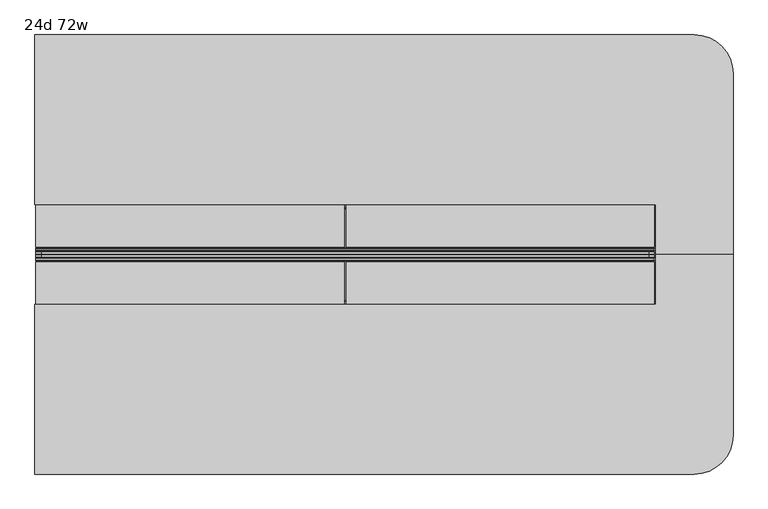
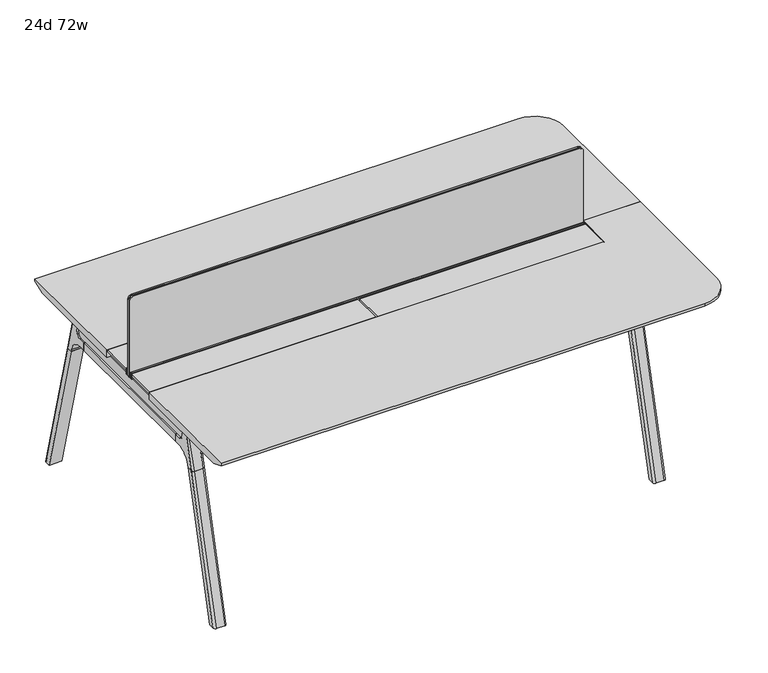
"""IFC4 building model written with IfcOpenShell, lengths in millimetres: furniture geometry, 24d 72w."""

from ifc_helpers import new_model, si_unit, point, frame, frame_2d, origin, place, context, project, spatial, polyline, circle_curve, ellipse_curve, trimmed, segment, composite_curve, outline, extrude, source, transform, mapped, element, save
from ifc_brep_helpers import plane_surface, cylinder_surface, revolved_surface, advanced_brep


def furniture_24d_72w_2c4aecf3(model_context):
    return source(origin(), model_context, "Body", "SolidModel", [
        extrude(outline(polyline([(-18.0090763, 706.4375), (3.7767266, 706.4375), (3.7767266, 705.2310087), (-17.4495292, 705.2310087), (-19.0070753, 703.6734626), (-49.1186716, 567.0903512), (-50.5285062, 567.4011683), (-20.404074, 704.0425023), (-18.0090763, 706.4375)])), frame((-469.9, 0.0, 0.0), z_axis=(1.0, 0.0, 0.0), x_axis=(0.0, 1.0, 0.0)), (0.0, 0.0, 1.0), 31.8008024),
        extrude(outline(polyline([(-381.4978768, 706.4375), (-379.1028791, 704.0425023), (-348.9784469, 567.4011683), (-350.3882815, 567.0903512), (-380.4998778, 703.6734626), (-382.0574239, 705.2310087), (-403.2836797, 705.2310087), (-403.2836797, 706.4375), (-381.4978768, 706.4375)])), frame((-469.9, 0.0, 0.0), z_axis=(1.0, 0.0, 0.0), x_axis=(0.0, 1.0, 0.0)), (0.0, 0.0, 1.0), 31.8008024),
        extrude(outline(polyline([(-18.0090763, 706.4375), (3.7767266, 706.4375), (3.7767266, 705.2310087), (-17.4495292, 705.2310087), (-19.0070753, 703.6734626), (-49.1186716, 567.0903512), (-50.5285062, 567.4011683), (-20.404074, 704.0425023), (-18.0090763, 706.4375)])), frame((869.8991976, 0.0, 0.0), z_axis=(1.0, 0.0, 0.0), x_axis=(0.0, 1.0, 0.0)), (0.0, 0.0, 1.0), 31.8008024),
        extrude(outline(polyline([(-381.4978768, 706.4375), (-379.1028791, 704.0425023), (-348.9784469, 567.4011683), (-350.3882815, 567.0903512), (-380.4998778, 703.6734626), (-382.0574239, 705.2310087), (-403.2836797, 705.2310087), (-403.2836797, 706.4375), (-381.4978768, 706.4375)])), frame((869.8991976, 0.0, 0.0), z_axis=(1.0, 0.0, 0.0), x_axis=(0.0, 1.0, 0.0)), (0.0, 0.0, 1.0), 31.8008024),
        extrude(outline(polyline([(-353.550475, 565.5309966), (-351.518477, 567.5629947), (-350.957211, 567.0017287), (-352.756725, 565.2022146), (-352.756725, 557.3042827), (-352.5317745, 556.4647622), (-337.4390802, 530.3234395), (-336.0037101, 529.4947272), (-63.503243, 529.4947272), (-62.0678729, 530.3234395), (-46.9751786, 556.4647622), (-46.7502281, 557.3042827), (-46.7502281, 565.2022146), (-48.5497421, 567.0017287), (-47.9884761, 567.5629947), (-45.9564781, 565.5309966), (-45.9564781, 557.1997828), (-46.2355217, 556.1583856), (-61.4868074, 529.7423744), (-63.2905581, 528.7009772), (-336.216395, 528.7009772), (-338.0201457, 529.7423744), (-353.2714314, 556.1583856), (-353.550475, 557.1997828), (-353.550475, 565.5309966)])), frame((-469.8492037, 0.0, 0.0), z_axis=(1.0, 0.0, 0.0), x_axis=(0.0, 1.0, 0.0)), (0.0, 0.0, 1.0), 1371.5492037),
        extrude(outline(composite_curve([segment(polyline([(178.0715234, 711.2), (169.0134226, 677.3947076)]), True, "CONTINUOUS"), segment(trimmed(circle_curve(frame_2d((153.6793501, 681.5034599)), 15.875), [point((169.0134226, 677.3947076))], [point((153.6793501, 665.6284599))], False, "CARTESIAN"), True, "CONTINUOUS"), segment(polyline([(153.6793501, 665.6284599), (-553.1863033, 665.6284599)]), True, "CONTINUOUS"), segment(trimmed(circle_curve(frame_2d((-553.1863033, 681.5034599)), 15.875), [point((-553.1863033, 665.6284599))], [point((-568.5203758, 677.3947076))], False, "CARTESIAN"), True, "CONTINUOUS"), segment(polyline([(-568.5203758, 677.3947076), (-577.5784766, 711.2), (178.0715234, 711.2)]), True, "CONTINUOUS")], self_intersect=False)), frame((-685.8, 0.0, 0.0), z_axis=(1.0, 0.0, 0.0), x_axis=(0.0, 1.0, 0.0)), (0.0, 0.0, 1.0), 38.1),
        extrude(outline(polyline([(-641.35, 117.7465234), (-641.35, -517.2534766), (-692.15, -517.2534766), (-692.15, 117.7465234), (-641.35, 117.7465234)])), frame((0.0, 0.0, 635.6476591), z_axis=(0.0, 0.0, 1.0), x_axis=(1.0, 0.0, 0.0)), (0.0, 0.0, 1.0), 29.9808008),
        advanced_brep(
        [(-641.35, 171.7678522, 711.2), (-641.35, 162.7097514, 677.3947076), (-641.35, 147.3756789, 665.6284599), (-641.35, 117.7465234, 665.6284599), (-641.35, 117.7465234, 635.6476591), (-641.35, 140.6177557, 635.6476591), (-641.35, 205.0208602, 586.2294189), (-641.35, 207.5790723, 576.6820411), (-641.35, 228.6830422, 576.6820411), (-641.35, 193.2343986, 711.2), (-692.15, 207.5790723, 576.6820411), (-692.15, 205.0208602, 586.2294189), (-692.15, 140.6177557, 635.6476591), (-692.15, 117.7465234, 635.6476591), (-692.15, 117.7465234, 665.6284599), (-692.15, 147.3756789, 665.6284599), (-692.15, 162.7097514, 677.3947076), (-692.15, 171.7678522, 711.2), (-692.15, 193.2343986, 711.2), (-692.15, 228.6830422, 576.6820411), (-647.6138162, 202.4892431, 711.2), (-685.8861838, 202.4892431, 711.2), (-682.625, 238.5332216, 576.6820411), (-650.875, 238.5332216, 576.6820411)],
        [
            (0, 1),
            (1, 2, circle_curve(frame((-641.35, 147.3756789, 681.5034599), z_axis=(-1.0, 0.0, 0.0), x_axis=(0.0, 1.0, 0.0)), 15.875)),
            (2, 3),
            (3, 4),
            (4, 5),
            (5, 6, circle_curve(frame((-641.35, 140.6177557, 568.9726591), z_axis=(-1.0, 0.0, 0.0), x_axis=(0.0, 1.0, 0.0)), 66.675)),
            (6, 7),
            (7, 8),
            (8, 9),
            (9, 0),
            (10, 11),
            (11, 12, circle_curve(frame((-692.15, 140.6177557, 568.9726591), z_axis=(1.0, 0.0, 0.0), x_axis=(0.0, 1.0, 0.0)), 66.675)),
            (12, 13),
            (13, 14),
            (14, 15),
            (15, 16, circle_curve(frame((-692.15, 147.3756789, 681.5034599), z_axis=(1.0, 0.0, 0.0), x_axis=(0.0, 1.0, 0.0)), 15.875)),
            (16, 17),
            (17, 18),
            (18, 19),
            (19, 10),
            (17, 0),
            (9, 20, ellipse_curve(frame((-650.875, 193.2343986, 711.2), z_axis=(0.0, 0.0, 1.0), x_axis=(0.0, 1.0, 0.0)), 9.8501793, 9.525)),
            (20, 21),
            (21, 18, ellipse_curve(frame((-682.625, 193.2343986, 711.2), z_axis=(0.0, 0.0, 1.0), x_axis=(0.0, 1.0, 0.0)), 9.8501793, 9.525)),
            (16, 1),
            (15, 2),
            (14, 3),
            (13, 4),
            (12, 5),
            (11, 6),
            (10, 7),
            (19, 22, ellipse_curve(frame((-682.625, 228.6830422, 576.6820411), z_axis=(0.0, 0.0, -1.0), x_axis=(0.0, 1.0, 0.0)), 9.8501793, 9.525)),
            (22, 23),
            (23, 8, ellipse_curve(frame((-650.875, 228.6830422, 576.6820411), z_axis=(0.0, 0.0, -1.0), x_axis=(0.0, 1.0, 0.0)), 9.8501793, 9.525)),
            (20, 23, ellipse_curve(frame((-650.875, -357.8364925, 2802.3641142), z_axis=(0.0, 0.9659258262890684, 0.2588190451025206), x_axis=(0.0, 0.2588190451025206, -0.9659258262890684)), 2304.1956354, 9.525)),
            (22, 21, ellipse_curve(frame((-682.625, -357.8364925, 2802.3641142), z_axis=(0.0, 0.9659258262890684, 0.2588190451025206), x_axis=(0.0, 0.2588190451025206, -0.9659258262890684)), 2304.1956354, 9.525)),
        ],
        [
            plane_surface(frame((-641.35, 202.4892431, 711.2), z_axis=(1.0, 0.0, 0.0), x_axis=(0.0, -1.0, 0.0))),
            plane_surface(frame((-692.15, 202.4892431, 711.2), z_axis=(-1.0, 0.0, 0.0), x_axis=(0.0, 1.0, 0.0))),
            plane_surface(frame((-641.35, 202.4892431, 711.2), z_axis=(0.0, 0.0, 1.0), x_axis=(-1.0, 0.0, 0.0))),
            plane_surface(frame((-641.35, 171.7678522, 711.2), z_axis=(0.0, -0.9659258262890683, 0.2588190451025207), x_axis=(-1.0, 0.0, 0.0))),
            revolved_surface(polyline([(-692.15, 163.2506789, 681.5034599), (-641.35, 163.2506789, 681.5034599)]), (-692.15, 147.3756789, 681.5034599), (-1.0, 0.0, 0.0)),
            plane_surface(frame((-641.35, 147.3756789, 665.6284599), z_axis=(0.0, 0.0, 1.0), x_axis=(-1.0, 0.0, 0.0))),
            plane_surface(frame((-641.35, 117.7465234, 665.6284599), z_axis=(0.0, -1.0, 0.0), x_axis=(-1.0, 0.0, 0.0))),
            plane_surface(frame((-641.35, 117.7465234, 635.6476591), z_axis=(0.0, 0.0, -1.0), x_axis=(-1.0, 0.0, 0.0))),
            revolved_surface(polyline([(-692.15, 207.2927557, 568.9726591), (-641.35, 207.2927557, 568.9726591)]), (-692.15, 140.6177557, 568.9726591), (-1.0, 0.0, 0.0)),
            plane_surface(frame((-641.35, 205.0208602, 586.2294189), z_axis=(0.0, -0.9659258262890693, -0.25881904510251696), x_axis=(-1.0, 0.0, 0.0))),
            plane_surface(frame((-641.35, 207.5790723, 576.6820411), z_axis=(0.0, 0.0, -1.0), x_axis=(-1.0, 0.0, 0.0))),
            plane_surface(frame((-641.35, 238.5332216, 576.6820411), z_axis=(0.0, 0.9659258262890684, 0.2588190451025206), x_axis=(-1.0, 0.0, 0.0))),
            cylinder_surface(frame((-650.875, 381.2919371, -2.4271979), z_axis=(0.0, 0.25482392474081483, -0.966987470125486), x_axis=(-1.0, 0.0, 0.0)), 9.525),
            cylinder_surface(frame((-682.625, 381.2919371, -2.4271979), z_axis=(0.0, 0.25482392474081483, -0.966987470125486), x_axis=(-1.0, 0.0, 0.0)), 9.525),
        ],
        [
            (0, [[1, 2, 3, 4, 5, 6, 7, 8, 9, 10]]),
            (1, [[11, 12, 13, 14, 15, 16, 17, 18, 19, 20]]),
            (2, [[21, -10, 22, 23, 24, -18]]),
            (3, [[-1, -21, -17, 25]]),
            (4, [[-2, -25, -16, 26]]),
            (5, [[-3, -26, -15, 27]]),
            (6, [[-4, -27, -14, 28]]),
            (7, [[-5, -28, -13, 29]]),
            (8, [[-6, -29, -12, 30]]),
            (9, [[-7, -30, -11, 31]]),
            (10, [[-31, -20, 32, 33, 34, -8]]),
            (11, [[-23, 35, -33, 36]]),
            (12, [[-9, -34, -35, -22]]),
            (13, [[-19, -24, -36, -32]]),
        ],
    ),
        advanced_brep(
        [(-641.35, 207.5790723, 576.6820411), (-641.35, 359.5483435, 0.0), (-641.35, 380.6523134, 0.0), (-641.35, 228.6830422, 576.6820411), (-692.15, 359.5483435, 0.0), (-692.15, 207.5790723, 576.6820411), (-692.15, 228.6830422, 576.6820411), (-692.15, 380.6523134, 0.0), (-650.875, 238.5332216, 576.6820411), (-682.625, 238.5332216, 576.6820411), (-682.625, 390.5024927, 0.0), (-650.875, 390.5024927, 0.0)],
        [
            (0, 1),
            (1, 2),
            (2, 3),
            (3, 0),
            (4, 5),
            (5, 6),
            (6, 7),
            (7, 4),
            (5, 0),
            (3, 8, ellipse_curve(frame((-650.875, 228.6830422, 576.6820411), z_axis=(0.0, 0.0, 1.0), x_axis=(0.0, 1.0, 0.0)), 9.8501793, 9.525)),
            (8, 9),
            (9, 6, ellipse_curve(frame((-682.625, 228.6830422, 576.6820411), z_axis=(0.0, 0.0, 1.0), x_axis=(0.0, 1.0, 0.0)), 9.8501793, 9.525)),
            (4, 1),
            (7, 10, ellipse_curve(frame((-682.625, 380.6523134, 0.0), z_axis=(0.0, 0.0, -1.0), x_axis=(0.0, 1.0, 0.0)), 9.8501793, 9.525)),
            (10, 11),
            (11, 2, ellipse_curve(frame((-650.875, 380.6523134, 0.0), z_axis=(0.0, 0.0, -1.0), x_axis=(0.0, 1.0, 0.0)), 9.8501793, 9.525)),
            (8, 11),
            (10, 9),
        ],
        [
            plane_surface(frame((-641.35, 238.5332216, 576.6820411), z_axis=(1.0, 0.0, 0.0), x_axis=(0.0, -1.0, 0.0))),
            plane_surface(frame((-692.15, 238.5332216, 576.6820411), z_axis=(-1.0, 0.0, 0.0), x_axis=(0.0, 1.0, 0.0))),
            plane_surface(frame((-641.35, 238.5332216, 576.6820411), z_axis=(0.0, 0.0, 1.0), x_axis=(-1.0, 0.0, 0.0))),
            plane_surface(frame((-641.35, 207.5790723, 576.6820411), z_axis=(0.0, -0.9669874701254844, -0.2548239247408208), x_axis=(-1.0, 0.0, 0.0))),
            plane_surface(frame((-641.35, 359.5483435, 0.0), z_axis=(0.0, 0.0, -1.0), x_axis=(-1.0, 0.0, 0.0))),
            plane_surface(frame((-641.35, 390.5024927, 0.0), z_axis=(0.0, 0.9669874701254855, 0.2548239247408166), x_axis=(-1.0, 0.0, 0.0))),
            cylinder_surface(frame((-650.875, 381.2919371, -2.4271979), z_axis=(0.0, 0.25482392474081483, -0.966987470125486), x_axis=(-1.0, 0.0, 0.0)), 9.525),
            cylinder_surface(frame((-682.625, 381.2919371, -2.4271979), z_axis=(0.0, 0.25482392474081483, -0.966987470125486), x_axis=(-1.0, 0.0, 0.0)), 9.525),
        ],
        [
            (0, [[1, 2, 3, 4]]),
            (1, [[5, 6, 7, 8]]),
            (2, [[9, -4, 10, 11, 12, -6]]),
            (3, [[-1, -9, -5, 13]]),
            (4, [[-13, -8, 14, 15, 16, -2]]),
            (5, [[-11, 17, -15, 18]]),
            (6, [[-3, -16, -17, -10]]),
            (7, [[-7, -12, -18, -14]]),
        ],
    ),
        advanced_brep(
        [(-692.15, -571.2748053, 711.2), (-692.15, -562.2167045, 677.3947076), (-692.15, -546.882632, 665.6284599), (-692.15, -517.2534766, 665.6284599), (-692.15, -517.2534766, 635.6476591), (-692.15, -540.1247088, 635.6476591), (-692.15, -604.5278133, 586.2294189), (-692.15, -607.0860254, 576.6820411), (-692.15, -628.1899953, 576.6820411), (-692.15, -592.7413517, 711.2), (-641.35, -607.0860254, 576.6820411), (-641.35, -604.5278133, 586.2294189), (-641.35, -540.1247088, 635.6476591), (-641.35, -517.2534766, 635.6476591), (-641.35, -517.2534766, 665.6284599), (-641.35, -546.882632, 665.6284599), (-641.35, -562.2167045, 677.3947076), (-641.35, -571.2748053, 711.2), (-641.35, -592.7413517, 711.2), (-641.35, -628.1899953, 576.6820411), (-685.8861838, -601.9961962, 711.2), (-647.6138162, -601.9961962, 711.2), (-650.875, -638.0401747, 576.6820411), (-682.625, -638.0401747, 576.6820411)],
        [
            (0, 1),
            (1, 2, circle_curve(frame((-692.15, -546.882632, 681.5034599), z_axis=(1.0, 0.0, 0.0), x_axis=(0.0, -1.0, 0.0)), 15.875)),
            (2, 3),
            (3, 4),
            (4, 5),
            (5, 6, circle_curve(frame((-692.15, -540.1247088, 568.9726591), z_axis=(1.0, 0.0, 0.0), x_axis=(0.0, -1.0, 0.0)), 66.675)),
            (6, 7),
            (7, 8),
            (8, 9),
            (9, 0),
            (10, 11),
            (11, 12, circle_curve(frame((-641.35, -540.1247088, 568.9726591), z_axis=(-1.0, 0.0, 0.0), x_axis=(0.0, -1.0, 0.0)), 66.675)),
            (12, 13),
            (13, 14),
            (14, 15),
            (15, 16, circle_curve(frame((-641.35, -546.882632, 681.5034599), z_axis=(-1.0, 0.0, 0.0), x_axis=(0.0, -1.0, 0.0)), 15.875)),
            (16, 17),
            (17, 18),
            (18, 19),
            (19, 10),
            (17, 0),
            (9, 20, ellipse_curve(frame((-682.625, -592.7413517, 711.2), z_axis=(0.0, 0.0, 1.0), x_axis=(0.0, -1.0, 0.0)), 9.8501793, 9.525)),
            (20, 21),
            (21, 18, ellipse_curve(frame((-650.875, -592.7413517, 711.2), z_axis=(0.0, 0.0, 1.0), x_axis=(0.0, -1.0, 0.0)), 9.8501793, 9.525)),
            (16, 1),
            (15, 2),
            (14, 3),
            (13, 4),
            (12, 5),
            (11, 6),
            (10, 7),
            (19, 22, ellipse_curve(frame((-650.875, -628.1899953, 576.6820411), z_axis=(0.0, 0.0, -1.0), x_axis=(0.0, -1.0, 0.0)), 9.8501793, 9.525)),
            (22, 23),
            (23, 8, ellipse_curve(frame((-682.625, -628.1899953, 576.6820411), z_axis=(0.0, 0.0, -1.0), x_axis=(0.0, -1.0, 0.0)), 9.8501793, 9.525)),
            (20, 23, ellipse_curve(frame((-682.625, -41.6704606, 2802.3641142), z_axis=(0.0, -0.9659258262890684, 0.2588190451025206), x_axis=(0.0, -0.2588190451025206, -0.9659258262890684)), 2304.1956354, 9.525)),
            (22, 21, ellipse_curve(frame((-650.875, -41.6704606, 2802.3641142), z_axis=(0.0, -0.9659258262890684, 0.2588190451025206), x_axis=(0.0, -0.2588190451025206, -0.9659258262890684)), 2304.1956354, 9.525)),
        ],
        [
            plane_surface(frame((-692.15, -601.9961962, 711.2), z_axis=(-1.0, 0.0, 0.0), x_axis=(0.0, 1.0, 0.0))),
            plane_surface(frame((-641.35, -601.9961962, 711.2), z_axis=(1.0, 0.0, 0.0), x_axis=(0.0, -1.0, 0.0))),
            plane_surface(frame((-692.15, -601.9961962, 711.2), z_axis=(0.0, 0.0, 1.0), x_axis=(1.0, 0.0, 0.0))),
            plane_surface(frame((-692.15, -571.2748053, 711.2), z_axis=(0.0, 0.9659258262890683, 0.2588190451025207), x_axis=(1.0, 0.0, 0.0))),
            revolved_surface(polyline([(-641.35, -562.757632, 681.5034599), (-692.15, -562.757632, 681.5034599)]), (-641.35, -546.882632, 681.5034599), (1.0, 0.0, 0.0)),
            plane_surface(frame((-692.15, -546.882632, 665.6284599), z_axis=(0.0, 0.0, 1.0), x_axis=(1.0, 0.0, 0.0))),
            plane_surface(frame((-692.15, -517.2534766, 665.6284599), z_axis=(0.0, 1.0, 0.0), x_axis=(1.0, 0.0, 0.0))),
            plane_surface(frame((-692.15, -517.2534766, 635.6476591), z_axis=(0.0, 0.0, -1.0), x_axis=(1.0, 0.0, 0.0))),
            revolved_surface(polyline([(-641.35, -606.7997088, 568.9726591), (-692.15, -606.7997088, 568.9726591)]), (-641.35, -540.1247088, 568.9726591), (1.0, 0.0, 0.0)),
            plane_surface(frame((-692.15, -604.5278133, 586.2294189), z_axis=(0.0, 0.9659258262890693, -0.25881904510251696), x_axis=(1.0, 0.0, 0.0))),
            plane_surface(frame((-692.15, -607.0860254, 576.6820411), z_axis=(0.0, 0.0, -1.0), x_axis=(1.0, 0.0, 0.0))),
            plane_surface(frame((-692.15, -638.0401747, 576.6820411), z_axis=(0.0, -0.9659258262890684, 0.2588190451025206), x_axis=(1.0, 0.0, 0.0))),
            cylinder_surface(frame((-682.625, -780.7988902, -2.4271979), z_axis=(0.0, -0.25482392474081483, -0.966987470125486), x_axis=(1.0, 0.0, 0.0)), 9.525),
            cylinder_surface(frame((-650.875, -780.7988902, -2.4271979), z_axis=(0.0, -0.25482392474081483, -0.966987470125486), x_axis=(1.0, 0.0, 0.0)), 9.525),
        ],
        [
            (0, [[1, 2, 3, 4, 5, 6, 7, 8, 9, 10]]),
            (1, [[11, 12, 13, 14, 15, 16, 17, 18, 19, 20]]),
            (2, [[21, -10, 22, 23, 24, -18]]),
            (3, [[-1, -21, -17, 25]]),
            (4, [[-2, -25, -16, 26]]),
            (5, [[-3, -26, -15, 27]]),
            (6, [[-4, -27, -14, 28]]),
            (7, [[-5, -28, -13, 29]]),
            (8, [[-6, -29, -12, 30]]),
            (9, [[-7, -30, -11, 31]]),
            (10, [[-31, -20, 32, 33, 34, -8]]),
            (11, [[-23, 35, -33, 36]]),
            (12, [[-9, -34, -35, -22]]),
            (13, [[-19, -24, -36, -32]]),
        ],
    ),
        advanced_brep(
        [(-692.15, -607.0860254, 576.6820411), (-692.15, -759.0552966, 0.0), (-692.15, -780.1592665, 0.0), (-692.15, -628.1899953, 576.6820411), (-641.35, -759.0552966, 0.0), (-641.35, -607.0860254, 576.6820411), (-641.35, -628.1899953, 576.6820411), (-641.35, -780.1592665, 0.0), (-682.625, -638.0401747, 576.6820411), (-650.875, -638.0401747, 576.6820411), (-650.875, -790.0094458, 0.0), (-682.625, -790.0094458, 0.0)],
        [
            (0, 1),
            (1, 2),
            (2, 3),
            (3, 0),
            (4, 5),
            (5, 6),
            (6, 7),
            (7, 4),
            (5, 0),
            (3, 8, ellipse_curve(frame((-682.625, -628.1899953, 576.6820411), z_axis=(0.0, 0.0, 1.0), x_axis=(0.0, -1.0, 0.0)), 9.8501793, 9.525)),
            (8, 9),
            (9, 6, ellipse_curve(frame((-650.875, -628.1899953, 576.6820411), z_axis=(0.0, 0.0, 1.0), x_axis=(0.0, -1.0, 0.0)), 9.8501793, 9.525)),
            (4, 1),
            (7, 10, ellipse_curve(frame((-650.875, -780.1592665, 0.0), z_axis=(0.0, 0.0, -1.0), x_axis=(0.0, -1.0, 0.0)), 9.8501793, 9.525)),
            (10, 11),
            (11, 2, ellipse_curve(frame((-682.625, -780.1592665, 0.0), z_axis=(0.0, 0.0, -1.0), x_axis=(0.0, -1.0, 0.0)), 9.8501793, 9.525)),
            (8, 11),
            (10, 9),
        ],
        [
            plane_surface(frame((-692.15, -638.0401747, 576.6820411), z_axis=(-1.0, 0.0, 0.0), x_axis=(0.0, 1.0, 0.0))),
            plane_surface(frame((-641.35, -638.0401747, 576.6820411), z_axis=(1.0, 0.0, 0.0), x_axis=(0.0, -1.0, 0.0))),
            plane_surface(frame((-692.15, -638.0401747, 576.6820411), z_axis=(0.0, 0.0, 1.0), x_axis=(1.0, 0.0, 0.0))),
            plane_surface(frame((-692.15, -607.0860254, 576.6820411), z_axis=(0.0, 0.9669874701254844, -0.2548239247408208), x_axis=(1.0, 0.0, 0.0))),
            plane_surface(frame((-692.15, -759.0552966, 0.0), z_axis=(0.0, 0.0, -1.0), x_axis=(1.0, 0.0, 0.0))),
            plane_surface(frame((-692.15, -790.0094458, 0.0), z_axis=(0.0, -0.9669874701254855, 0.2548239247408166), x_axis=(1.0, 0.0, 0.0))),
            cylinder_surface(frame((-682.625, -780.7988902, -2.4271979), z_axis=(0.0, -0.25482392474081483, -0.966987470125486), x_axis=(1.0, 0.0, 0.0)), 9.525),
            cylinder_surface(frame((-650.875, -780.7988902, -2.4271979), z_axis=(0.0, -0.25482392474081483, -0.966987470125486), x_axis=(1.0, 0.0, 0.0)), 9.525),
        ],
        [
            (0, [[1, 2, 3, 4]]),
            (1, [[5, 6, 7, 8]]),
            (2, [[9, -4, 10, 11, 12, -6]]),
            (3, [[-1, -9, -5, 13]]),
            (4, [[-13, -8, 14, 15, 16, -2]]),
            (5, [[-11, 17, -15, 18]]),
            (6, [[-3, -16, -17, -10]]),
            (7, [[-7, -12, -18, -14]]),
        ],
    ),
        advanced_brep(
        [(1130.3, -347.3909766, 741.3625), (-698.5, -347.3909766, 741.3625), (-698.5, -847.4534766, 741.3625), (1244.6, -847.4534766, 741.3625), (1358.9, -733.1534766, 741.3625), (1358.9, -199.7534766, 741.3625), (1130.3, -199.7534766, 741.3625), (1130.3, -347.3909766, 711.2), (1130.3, -199.7534766, 711.2), (1308.1, -199.7534766, 711.2), (1308.1, -733.1534766, 711.2), (1244.6, -796.6534766, 711.2), (-698.5, -796.6534766, 711.2), (-698.5, -347.3909766, 711.2), (-698.5, -847.4534766, 731.8375), (1244.6, -847.4534766, 731.8375), (1358.9, -733.1534766, 731.8375), (1358.9, -199.7534766, 731.8375)],
        [
            (0, 1),
            (1, 2),
            (2, 3),
            (3, 4, circle_curve(frame((1244.6, -733.1534766, 741.3625), z_axis=(0.0, 0.0, 1.0), x_axis=(1.0, 0.0, 0.0)), 114.3)),
            (4, 5),
            (5, 6),
            (6, 0),
            (7, 8),
            (8, 9),
            (9, 10),
            (10, 11, circle_curve(frame((1244.6, -733.1534766, 711.2), z_axis=(0.0, 0.0, -1.0), x_axis=(0.0, -1.0, 0.0)), 63.5)),
            (11, 12),
            (12, 13),
            (13, 7),
            (0, 7),
            (13, 1),
            (12, 14),
            (14, 2),
            (14, 15),
            (15, 3),
            (4, 16),
            (16, 17),
            (17, 5),
            (15, 16, circle_curve(frame((1244.6, -733.1534766, 731.8375), z_axis=(0.0, 0.0, 1.0), x_axis=(1.0, 0.0, 0.0)), 114.3)),
            (17, 9),
            (8, 6),
            (11, 15),
            (10, 16),
        ],
        [
            plane_surface(frame((-698.5, -347.3909766, 741.3625), z_axis=(0.0, 0.0, 1.0), x_axis=(-1.0, 0.0, 0.0))),
            plane_surface(frame((-698.5, -347.3909766, 711.2), z_axis=(0.0, 0.0, -1.0), x_axis=(1.0, 0.0, 0.0))),
            plane_surface(frame((1130.3, -347.3909766, 741.3625), z_axis=(0.0, 1.0, 0.0), x_axis=(0.0, 0.0, -1.0))),
            plane_surface(frame((-698.5, -347.3909766, 741.3625), z_axis=(-1.0, 0.0, 0.0), x_axis=(0.0, 0.0, -1.0))),
            plane_surface(frame((-698.5, -847.4534766, 741.3625), z_axis=(0.0, -1.0, 0.0), x_axis=(0.0, 0.0, -1.0))),
            plane_surface(frame((1358.9, -733.1534766, 741.3625), z_axis=(1.0, 0.0, 0.0), x_axis=(0.0, 0.0, -1.0))),
            cylinder_surface(frame((1244.6, -733.1534766, 711.2), z_axis=(0.0, 0.0, 1.0), x_axis=(1.0, 0.0, 0.0)), 114.3),
            plane_surface(frame((1358.9, -199.7534766, 741.3625), z_axis=(0.0, 1.0, 0.0), x_axis=(0.0, 0.0, -1.0))),
            plane_surface(frame((1130.3, -199.7534766, 741.3625), z_axis=(-1.0, 0.0, 0.0), x_axis=(0.0, 0.0, -1.0))),
            plane_surface(frame((-698.5, -847.4534766, 731.8375), z_axis=(0.0, -0.3763770469570871, -0.9264665771218423), x_axis=(1.0, 0.0, 0.0))),
            revolved_surface(polyline([(1244.6, -796.6534766, 711.2), (1244.6, -847.4534766, 731.8375)]), (1244.6, -733.1534766, 711.2), (0.0, 0.0, 1.0)),
            plane_surface(frame((1358.9, -733.1534766, 731.8375), z_axis=(0.3763770469570871, 0.0, -0.9264665771218423), x_axis=(0.0, 1.0, 0.0))),
        ],
        [
            (0, [[1, 2, 3, 4, 5, 6, 7]]),
            (1, [[8, 9, 10, 11, 12, 13, 14]]),
            (2, [[-1, 15, -14, 16]]),
            (3, [[-2, -16, -13, 17, 18]]),
            (4, [[-3, -18, 19, 20]]),
            (5, [[-5, 21, 22, 23]]),
            (6, [[-4, -20, 24, -21]]),
            (7, [[-6, -23, 25, -9, 26]]),
            (8, [[-7, -26, -8, -15]]),
            (9, [[27, -19, -17, -12]]),
            (10, [[-27, -11, 28, -24]]),
            (11, [[-28, -10, -25, -22]]),
        ],
    ),
        advanced_brep(
        [(1130.3, -52.1159766, 741.3625), (1130.3, -199.7534766, 741.3625), (1358.9, -199.7534766, 741.3625), (1358.9, 333.6465234, 741.3625), (1244.6, 447.9465234, 741.3625), (-698.5, 447.9465234, 741.3625), (-698.5, -52.1159766, 741.3625), (1130.3, -52.1159766, 711.2), (-698.5, -52.1159766, 711.2), (-698.5, 397.1465234, 711.2), (1244.6, 397.1465234, 711.2), (1308.1, 333.6465234, 711.2), (1308.1, -199.7534766, 711.2), (1130.3, -199.7534766, 711.2), (-698.5, 447.9465234, 731.8375), (1244.6, 447.9465234, 731.8375), (1358.9, -199.7534766, 731.8375), (1358.9, 333.6465234, 731.8375)],
        [
            (0, 1),
            (1, 2),
            (2, 3),
            (3, 4, circle_curve(frame((1244.6, 333.6465234, 741.3625), z_axis=(0.0, 0.0, 1.0), x_axis=(1.0, 0.0, 0.0)), 114.3)),
            (4, 5),
            (5, 6),
            (6, 0),
            (7, 8),
            (8, 9),
            (9, 10),
            (10, 11, circle_curve(frame((1244.6, 333.6465234, 711.2), z_axis=(0.0, 0.0, -1.0), x_axis=(0.0, 1.0, 0.0)), 63.5)),
            (11, 12),
            (12, 13),
            (13, 7),
            (6, 8),
            (7, 0),
            (5, 14),
            (14, 9),
            (4, 15),
            (15, 14),
            (2, 16),
            (16, 17),
            (17, 3),
            (17, 15, circle_curve(frame((1244.6, 333.6465234, 731.8375), z_axis=(0.0, 0.0, 1.0), x_axis=(1.0, 0.0, 0.0)), 114.3)),
            (1, 13),
            (12, 16),
            (15, 10),
            (17, 11),
        ],
        [
            plane_surface(frame((-698.5, -52.1159766, 741.3625), z_axis=(0.0, 0.0, 1.0), x_axis=(-1.0, 0.0, 0.0))),
            plane_surface(frame((-698.5, -52.1159766, 711.2), z_axis=(0.0, 0.0, -1.0), x_axis=(1.0, 0.0, 0.0))),
            plane_surface(frame((1130.3, -52.1159766, 741.3625), z_axis=(0.0, -1.0, 0.0), x_axis=(0.0, 0.0, -1.0))),
            plane_surface(frame((-698.5, -52.1159766, 741.3625), z_axis=(-1.0, 0.0, 0.0), x_axis=(0.0, 0.0, -1.0))),
            plane_surface(frame((-698.5, 447.9465234, 741.3625), z_axis=(0.0, 1.0, 0.0), x_axis=(0.0, 0.0, -1.0))),
            plane_surface(frame((1358.9, 333.6465234, 741.3625), z_axis=(1.0, 0.0, 0.0), x_axis=(0.0, 0.0, -1.0))),
            cylinder_surface(frame((1244.6, 333.6465234, 711.2), z_axis=(0.0, 0.0, 1.0), x_axis=(1.0, 0.0, 0.0)), 114.3),
            plane_surface(frame((1358.9, -199.7534766, 741.3625), z_axis=(0.0, -1.0, 0.0), x_axis=(0.0, 0.0, -1.0))),
            plane_surface(frame((1130.3, -199.7534766, 741.3625), z_axis=(-1.0, 0.0, 0.0), x_axis=(0.0, 0.0, -1.0))),
            plane_surface(frame((-698.5, 447.9465234, 731.8375), z_axis=(0.0, 0.3763770469570871, -0.9264665771218423), x_axis=(1.0, 0.0, 0.0))),
            revolved_surface(polyline([(1244.6, 397.1465234, 711.2), (1244.6, 447.9465234, 731.8375)]), (1244.6, 333.6465234, 711.2), (0.0, 0.0, 1.0)),
            plane_surface(frame((1358.9, 333.6465234, 731.8375), z_axis=(0.3763770469570871, 0.0, -0.9264665771218423), x_axis=(0.0, -1.0, 0.0))),
        ],
        [
            (0, [[1, 2, 3, 4, 5, 6, 7]]),
            (1, [[8, 9, 10, 11, 12, 13, 14]]),
            (2, [[15, -8, 16, -7]]),
            (3, [[17, 18, -9, -15, -6]]),
            (4, [[19, 20, -17, -5]]),
            (5, [[21, 22, 23, -3]]),
            (6, [[-23, 24, -19, -4]]),
            (7, [[25, -13, 26, -21, -2]]),
            (8, [[-16, -14, -25, -1]]),
            (9, [[-10, -18, -20, 27]]),
            (10, [[-24, 28, -11, -27]]),
            (11, [[-22, -26, -12, -28]]),
        ],
    ),
        extrude(outline(polyline([(-218.8034766, 715.9625), (-218.8034766, 741.3625), (-217.2159766, 741.3625), (-217.2159766, 720.725), (-210.8659766, 720.725), (-210.8659766, 741.3625), (-209.2784766, 741.3625), (-209.2784766, 717.55), (-190.2284766, 717.55), (-190.2284766, 741.3625), (-188.6409766, 741.3625), (-188.6409766, 720.725), (-182.2909766, 720.725), (-182.2909766, 741.3625), (-180.7034766, 741.3625), (-180.7034766, 715.9625), (-218.8034766, 715.9625)])), frame((-695.325, 0.0, 0.0), z_axis=(1.0, 0.0, 0.0), x_axis=(0.0, 1.0, 0.0)), (0.0, 0.0, 1.0), 1822.45),
        extrude(outline(polyline([(212.725, -52.1159766), (212.725, -177.5284766), (-695.325, -177.5284766), (-695.325, -52.1159766), (212.725, -52.1159766)])), frame((0.0, 0.0, 731.8375), z_axis=(0.0, 0.0, 1.0), x_axis=(1.0, 0.0, 0.0)), (0.0, 0.0, 1.0), 9.525),
        extrude(outline(polyline([(212.725, -221.9784766), (212.725, -347.3909766), (-695.325, -347.3909766), (-695.325, -221.9784766), (212.725, -221.9784766)])), frame((0.0, 0.0, 731.8375), z_axis=(0.0, 0.0, 1.0), x_axis=(1.0, 0.0, 0.0)), (0.0, 0.0, 1.0), 9.525),
        extrude(outline(polyline([(1127.125, -52.1159766), (1127.125, -177.5284766), (219.075, -177.5284766), (219.075, -52.1159766), (1127.125, -52.1159766)])), frame((0.0, 0.0, 731.8375), z_axis=(0.0, 0.0, 1.0), x_axis=(1.0, 0.0, 0.0)), (0.0, 0.0, 1.0), 9.525),
        extrude(outline(polyline([(1127.125, -221.9784766), (1127.125, -347.3909766), (219.075, -347.3909766), (219.075, -221.9784766), (1127.125, -221.9784766)])), frame((0.0, 0.0, 731.8375), z_axis=(0.0, 0.0, 1.0), x_axis=(1.0, 0.0, 0.0)), (0.0, 0.0, 1.0), 9.525),
        extrude(outline(polyline([(920.75, 9.7965234), (920.75, -21.9534766), (-488.95, -21.9534766), (-488.95, 9.7965234), (920.75, 9.7965234)])), frame((0.0, 0.0, 646.1125), z_axis=(0.0, 0.0, 1.0), x_axis=(1.0, 0.0, 0.0)), (0.0, 0.0, 1.0), 50.8),
        extrude(outline(polyline([(920.75, -377.5534766), (920.75, -409.3034766), (-488.95, -409.3034766), (-488.95, -377.5534766), (920.75, -377.5534766)])), frame((0.0, 0.0, 646.1125), z_axis=(0.0, 0.0, 1.0), x_axis=(1.0, 0.0, 0.0)), (0.0, 0.0, 1.0), 50.8),
        extrude(outline(composite_curve([segment(polyline([(1054.89375, 1108.075), (1054.89375, -676.275)]), True, "CONTINUOUS"), segment(trimmed(circle_curve(frame_2d((1039.01875, -676.275)), 15.875), [point((1054.89375, -676.275))], [point((1039.01875, -692.15))], False, "CARTESIAN"), True, "CONTINUOUS"), segment(polyline([(1039.01875, -692.15), (720.725, -692.15), (720.725, 1123.95), (1039.01875, 1123.95)]), True, "CONTINUOUS"), segment(trimmed(circle_curve(frame_2d((1039.01875, 1108.075)), 15.875), [point((1039.01875, 1123.95))], [point((1054.89375, 1108.075))], False, "CARTESIAN"), True, "CONTINUOUS")], self_intersect=False)), frame((0.0, -201.3409766, 0.0), z_axis=(0.0, 1.0, 0.0), x_axis=(0.0, 0.0, 1.0)), (0.0, 0.0, 1.0), 3.175),
        extrude(outline(composite_curve([segment(polyline([(1058.06875, 1111.25), (1058.06875, -679.45)]), True, "CONTINUOUS"), segment(trimmed(circle_curve(frame_2d((1042.19375, -679.45)), 15.875), [point((1058.06875, -679.45))], [point((1042.19375, -695.325))], False, "CARTESIAN"), True, "CONTINUOUS"), segment(polyline([(1042.19375, -695.325), (717.55, -695.325), (717.55, 1127.125), (1042.19375, 1127.125)]), True, "CONTINUOUS"), segment(trimmed(circle_curve(frame_2d((1042.19375, 1111.25)), 15.875), [point((1042.19375, 1127.125))], [point((1058.06875, 1111.25))], False, "CARTESIAN"), True, "CONTINUOUS")], self_intersect=False)), frame((0.0, -198.1659766, 0.0), z_axis=(0.0, 1.0, 0.0), x_axis=(0.0, 0.0, 1.0)), (0.0, 0.0, 1.0), 5.55625),
        extrude(outline(composite_curve([segment(polyline([(1058.06875, 1111.25), (1058.06875, -679.45)]), True, "CONTINUOUS"), segment(trimmed(circle_curve(frame_2d((1042.19375, -679.45)), 15.875), [point((1058.06875, -679.45))], [point((1042.19375, -695.325))], False, "CARTESIAN"), True, "CONTINUOUS"), segment(polyline([(1042.19375, -695.325), (717.55, -695.325), (717.55, 1127.125), (1042.19375, 1127.125)]), True, "CONTINUOUS"), segment(trimmed(circle_curve(frame_2d((1042.19375, 1111.25)), 15.875), [point((1042.19375, 1127.125))], [point((1058.06875, 1111.25))], False, "CARTESIAN"), True, "CONTINUOUS")], self_intersect=False)), frame((0.0, -206.8972266, 0.0), z_axis=(0.0, 1.0, 0.0), x_axis=(0.0, 0.0, 1.0)), (0.0, 0.0, 1.0), 5.55625),
        extrude(outline(composite_curve([segment(polyline([(178.0715234, 711.2), (169.0134226, 677.3947076)]), True, "CONTINUOUS"), segment(trimmed(circle_curve(frame_2d((153.6793501, 681.5034599)), 15.875), [point((169.0134226, 677.3947076))], [point((153.6793501, 665.6284599))], False, "CARTESIAN"), True, "CONTINUOUS"), segment(polyline([(153.6793501, 665.6284599), (-553.1863033, 665.6284599)]), True, "CONTINUOUS"), segment(trimmed(circle_curve(frame_2d((-553.1863033, 681.5034599)), 15.875), [point((-553.1863033, 665.6284599))], [point((-568.5203758, 677.3947076))], False, "CARTESIAN"), True, "CONTINUOUS"), segment(polyline([(-568.5203758, 677.3947076), (-577.5784766, 711.2), (178.0715234, 711.2)]), True, "CONTINUOUS")], self_intersect=False)), frame((1079.5, 0.0, 0.0), z_axis=(1.0, 0.0, 0.0), x_axis=(0.0, 1.0, 0.0)), (0.0, 0.0, 1.0), 38.1),
        extrude(outline(polyline([(1123.95, 117.7465234), (1123.95, -517.2534766), (1073.15, -517.2534766), (1073.15, 117.7465234), (1123.95, 117.7465234)])), frame((0.0, 0.0, 635.6476591), z_axis=(0.0, 0.0, 1.0), x_axis=(1.0, 0.0, 0.0)), (0.0, 0.0, 1.0), 29.9808008),
        advanced_brep(
        [(1073.15, -571.2748053, 711.2), (1073.15, -562.2167045, 677.3947076), (1073.15, -546.882632, 665.6284599), (1073.15, -517.2534766, 665.6284599), (1073.15, -517.2534766, 635.6476591), (1073.15, -540.1247088, 635.6476591), (1073.15, -604.5278133, 586.2294189), (1073.15, -607.0860254, 576.6820411), (1073.15, -628.1899953, 576.6820411), (1073.15, -592.7413517, 711.2), (1123.95, -607.0860254, 576.6820411), (1123.95, -604.5278133, 586.2294189), (1123.95, -540.1247088, 635.6476591), (1123.95, -517.2534766, 635.6476591), (1123.95, -517.2534766, 665.6284599), (1123.95, -546.882632, 665.6284599), (1123.95, -562.2167045, 677.3947076), (1123.95, -571.2748053, 711.2), (1123.95, -592.7413517, 711.2), (1123.95, -628.1899953, 576.6820411), (1079.4138162, -601.9961962, 711.2), (1117.6861838, -601.9961962, 711.2), (1114.425, -638.0401747, 576.6820411), (1082.675, -638.0401747, 576.6820411)],
        [
            (0, 1),
            (1, 2, circle_curve(frame((1073.15, -546.882632, 681.5034599), z_axis=(1.0, 0.0, 0.0), x_axis=(0.0, -1.0, 0.0)), 15.875)),
            (2, 3),
            (3, 4),
            (4, 5),
            (5, 6, circle_curve(frame((1073.15, -540.1247088, 568.9726591), z_axis=(1.0, 0.0, 0.0), x_axis=(0.0, -1.0, 0.0)), 66.675)),
            (6, 7),
            (7, 8),
            (8, 9),
            (9, 0),
            (10, 11),
            (11, 12, circle_curve(frame((1123.95, -540.1247088, 568.9726591), z_axis=(-1.0, 0.0, 0.0), x_axis=(0.0, -1.0, 0.0)), 66.675)),
            (12, 13),
            (13, 14),
            (14, 15),
            (15, 16, circle_curve(frame((1123.95, -546.882632, 681.5034599), z_axis=(-1.0, 0.0, 0.0), x_axis=(0.0, -1.0, 0.0)), 15.875)),
            (16, 17),
            (17, 18),
            (18, 19),
            (19, 10),
            (17, 0),
            (9, 20, ellipse_curve(frame((1082.675, -592.7413517, 711.2), z_axis=(0.0, 0.0, 1.0), x_axis=(0.0, -1.0, 0.0)), 9.8501793, 9.525)),
            (20, 21),
            (21, 18, ellipse_curve(frame((1114.425, -592.7413517, 711.2), z_axis=(0.0, 0.0, 1.0), x_axis=(0.0, -1.0, 0.0)), 9.8501793, 9.525)),
            (16, 1),
            (15, 2),
            (14, 3),
            (13, 4),
            (12, 5),
            (11, 6),
            (10, 7),
            (19, 22, ellipse_curve(frame((1114.425, -628.1899953, 576.6820411), z_axis=(0.0, 0.0, -1.0), x_axis=(0.0, -1.0, 0.0)), 9.8501793, 9.525)),
            (22, 23),
            (23, 8, ellipse_curve(frame((1082.675, -628.1899953, 576.6820411), z_axis=(0.0, 0.0, -1.0), x_axis=(0.0, -1.0, 0.0)), 9.8501793, 9.525)),
            (20, 23, ellipse_curve(frame((1082.675, -41.6704606, 2802.3641142), z_axis=(0.0, -0.9659258262890684, 0.2588190451025206), x_axis=(0.0, -0.2588190451025206, -0.9659258262890684)), 2304.1956354, 9.525)),
            (22, 21, ellipse_curve(frame((1114.425, -41.6704606, 2802.3641142), z_axis=(0.0, -0.9659258262890684, 0.2588190451025206), x_axis=(0.0, -0.2588190451025206, -0.9659258262890684)), 2304.1956354, 9.525)),
        ],
        [
            plane_surface(frame((1073.15, -601.9961962, 711.2), z_axis=(-1.0, 0.0, 0.0), x_axis=(0.0, 1.0, 0.0))),
            plane_surface(frame((1123.95, -601.9961962, 711.2), z_axis=(1.0, 0.0, 0.0), x_axis=(0.0, -1.0, 0.0))),
            plane_surface(frame((1073.15, -601.9961962, 711.2), z_axis=(0.0, 0.0, 1.0), x_axis=(1.0, 0.0, 0.0))),
            plane_surface(frame((1073.15, -571.2748053, 711.2), z_axis=(0.0, 0.9659258262890683, 0.2588190451025207), x_axis=(1.0, 0.0, 0.0))),
            revolved_surface(polyline([(1123.95, -562.757632, 681.5034599), (1073.15, -562.757632, 681.5034599)]), (1123.95, -546.882632, 681.5034599), (1.0, 0.0, 0.0)),
            plane_surface(frame((1073.15, -546.882632, 665.6284599), z_axis=(0.0, 0.0, 1.0), x_axis=(1.0, 0.0, 0.0))),
            plane_surface(frame((1073.15, -517.2534766, 665.6284599), z_axis=(0.0, 1.0, 0.0), x_axis=(1.0, 0.0, 0.0))),
            plane_surface(frame((1073.15, -517.2534766, 635.6476591), z_axis=(0.0, 0.0, -1.0), x_axis=(1.0, 0.0, 0.0))),
            revolved_surface(polyline([(1123.95, -606.7997088, 568.9726591), (1073.15, -606.7997088, 568.9726591)]), (1123.95, -540.1247088, 568.9726591), (1.0, 0.0, 0.0)),
            plane_surface(frame((1073.15, -604.5278133, 586.2294189), z_axis=(0.0, 0.9659258262890693, -0.25881904510251696), x_axis=(1.0, 0.0, 0.0))),
            plane_surface(frame((1073.15, -607.0860254, 576.6820411), z_axis=(0.0, 0.0, -1.0), x_axis=(1.0, 0.0, 0.0))),
            plane_surface(frame((1073.15, -638.0401747, 576.6820411), z_axis=(0.0, -0.9659258262890684, 0.2588190451025206), x_axis=(1.0, 0.0, 0.0))),
            cylinder_surface(frame((1082.675, -780.7988902, -2.4271979), z_axis=(0.0, -0.25482392474081483, -0.966987470125486), x_axis=(1.0, 0.0, 0.0)), 9.525),
            cylinder_surface(frame((1114.425, -780.7988902, -2.4271979), z_axis=(0.0, -0.25482392474081483, -0.966987470125486), x_axis=(1.0, 0.0, 0.0)), 9.525),
        ],
        [
            (0, [[1, 2, 3, 4, 5, 6, 7, 8, 9, 10]]),
            (1, [[11, 12, 13, 14, 15, 16, 17, 18, 19, 20]]),
            (2, [[21, -10, 22, 23, 24, -18]]),
            (3, [[-1, -21, -17, 25]]),
            (4, [[-2, -25, -16, 26]]),
            (5, [[-3, -26, -15, 27]]),
            (6, [[-4, -27, -14, 28]]),
            (7, [[-5, -28, -13, 29]]),
            (8, [[-6, -29, -12, 30]]),
            (9, [[-7, -30, -11, 31]]),
            (10, [[-31, -20, 32, 33, 34, -8]]),
            (11, [[-23, 35, -33, 36]]),
            (12, [[-9, -34, -35, -22]]),
            (13, [[-19, -24, -36, -32]]),
        ],
    ),
        advanced_brep(
        [(1073.15, -607.0860254, 576.6820411), (1073.15, -759.0552966, 0.0), (1073.15, -780.1592665, 0.0), (1073.15, -628.1899953, 576.6820411), (1123.95, -759.0552966, 0.0), (1123.95, -607.0860254, 576.6820411), (1123.95, -628.1899953, 576.6820411), (1123.95, -780.1592665, 0.0), (1082.675, -638.0401747, 576.6820411), (1114.425, -638.0401747, 576.6820411), (1114.425, -790.0094458, 0.0), (1082.675, -790.0094458, 0.0)],
        [
            (0, 1),
            (1, 2),
            (2, 3),
            (3, 0),
            (4, 5),
            (5, 6),
            (6, 7),
            (7, 4),
            (5, 0),
            (3, 8, ellipse_curve(frame((1082.675, -628.1899953, 576.6820411), z_axis=(0.0, 0.0, 1.0), x_axis=(0.0, -1.0, 0.0)), 9.8501793, 9.525)),
            (8, 9),
            (9, 6, ellipse_curve(frame((1114.425, -628.1899953, 576.6820411), z_axis=(0.0, 0.0, 1.0), x_axis=(0.0, -1.0, 0.0)), 9.8501793, 9.525)),
            (4, 1),
            (7, 10, ellipse_curve(frame((1114.425, -780.1592665, 0.0), z_axis=(0.0, 0.0, -1.0), x_axis=(0.0, -1.0, 0.0)), 9.8501793, 9.525)),
            (10, 11),
            (11, 2, ellipse_curve(frame((1082.675, -780.1592665, 0.0), z_axis=(0.0, 0.0, -1.0), x_axis=(0.0, -1.0, 0.0)), 9.8501793, 9.525)),
            (8, 11),
            (10, 9),
        ],
        [
            plane_surface(frame((1073.15, -638.0401747, 576.6820411), z_axis=(-1.0, 0.0, 0.0), x_axis=(0.0, 1.0, 0.0))),
            plane_surface(frame((1123.95, -638.0401747, 576.6820411), z_axis=(1.0, 0.0, 0.0), x_axis=(0.0, -1.0, 0.0))),
            plane_surface(frame((1073.15, -638.0401747, 576.6820411), z_axis=(0.0, 0.0, 1.0), x_axis=(1.0, 0.0, 0.0))),
            plane_surface(frame((1073.15, -607.0860254, 576.6820411), z_axis=(0.0, 0.9669874701254844, -0.2548239247408208), x_axis=(1.0, 0.0, 0.0))),
            plane_surface(frame((1073.15, -759.0552966, 0.0), z_axis=(0.0, 0.0, -1.0), x_axis=(1.0, 0.0, 0.0))),
            plane_surface(frame((1073.15, -790.0094458, 0.0), z_axis=(0.0, -0.9669874701254855, 0.2548239247408166), x_axis=(1.0, 0.0, 0.0))),
            cylinder_surface(frame((1082.675, -780.7988902, -2.4271979), z_axis=(0.0, -0.25482392474081483, -0.966987470125486), x_axis=(1.0, 0.0, 0.0)), 9.525),
            cylinder_surface(frame((1114.425, -780.7988902, -2.4271979), z_axis=(0.0, -0.25482392474081483, -0.966987470125486), x_axis=(1.0, 0.0, 0.0)), 9.525),
        ],
        [
            (0, [[1, 2, 3, 4]]),
            (1, [[5, 6, 7, 8]]),
            (2, [[9, -4, 10, 11, 12, -6]]),
            (3, [[-1, -9, -5, 13]]),
            (4, [[-13, -8, 14, 15, 16, -2]]),
            (5, [[-11, 17, -15, 18]]),
            (6, [[-3, -16, -17, -10]]),
            (7, [[-7, -12, -18, -14]]),
        ],
    ),
        advanced_brep(
        [(1123.95, 171.7678522, 711.2), (1123.95, 162.7097514, 677.3947076), (1123.95, 147.3756789, 665.6284599), (1123.95, 117.7465234, 665.6284599), (1123.95, 117.7465234, 635.6476591), (1123.95, 140.6177557, 635.6476591), (1123.95, 205.0208602, 586.2294189), (1123.95, 207.5790723, 576.6820411), (1123.95, 228.6830422, 576.6820411), (1123.95, 193.2343986, 711.2), (1073.15, 207.5790723, 576.6820411), (1073.15, 205.0208602, 586.2294189), (1073.15, 140.6177557, 635.6476591), (1073.15, 117.7465234, 635.6476591), (1073.15, 117.7465234, 665.6284599), (1073.15, 147.3756789, 665.6284599), (1073.15, 162.7097514, 677.3947076), (1073.15, 171.7678522, 711.2), (1073.15, 193.2343986, 711.2), (1073.15, 228.6830422, 576.6820411), (1117.6861838, 202.4892431, 711.2), (1079.4138162, 202.4892431, 711.2), (1082.675, 238.5332216, 576.6820411), (1114.425, 238.5332216, 576.6820411)],
        [
            (0, 1),
            (1, 2, circle_curve(frame((1123.95, 147.3756789, 681.5034599), z_axis=(-1.0, 0.0, 0.0), x_axis=(0.0, 1.0, 0.0)), 15.875)),
            (2, 3),
            (3, 4),
            (4, 5),
            (5, 6, circle_curve(frame((1123.95, 140.6177557, 568.9726591), z_axis=(-1.0, 0.0, 0.0), x_axis=(0.0, 1.0, 0.0)), 66.675)),
            (6, 7),
            (7, 8),
            (8, 9),
            (9, 0),
            (10, 11),
            (11, 12, circle_curve(frame((1073.15, 140.6177557, 568.9726591), z_axis=(1.0, 0.0, 0.0), x_axis=(0.0, 1.0, 0.0)), 66.675)),
            (12, 13),
            (13, 14),
            (14, 15),
            (15, 16, circle_curve(frame((1073.15, 147.3756789, 681.5034599), z_axis=(1.0, 0.0, 0.0), x_axis=(0.0, 1.0, 0.0)), 15.875)),
            (16, 17),
            (17, 18),
            (18, 19),
            (19, 10),
            (17, 0),
            (9, 20, ellipse_curve(frame((1114.425, 193.2343986, 711.2), z_axis=(0.0, 0.0, 1.0), x_axis=(0.0, 1.0, 0.0)), 9.8501793, 9.525)),
            (20, 21),
            (21, 18, ellipse_curve(frame((1082.675, 193.2343986, 711.2), z_axis=(0.0, 0.0, 1.0), x_axis=(0.0, 1.0, 0.0)), 9.8501793, 9.525)),
            (16, 1),
            (15, 2),
            (14, 3),
            (13, 4),
            (12, 5),
            (11, 6),
            (10, 7),
            (19, 22, ellipse_curve(frame((1082.675, 228.6830422, 576.6820411), z_axis=(0.0, 0.0, -1.0), x_axis=(0.0, 1.0, 0.0)), 9.8501793, 9.525)),
            (22, 23),
            (23, 8, ellipse_curve(frame((1114.425, 228.6830422, 576.6820411), z_axis=(0.0, 0.0, -1.0), x_axis=(0.0, 1.0, 0.0)), 9.8501793, 9.525)),
            (20, 23, ellipse_curve(frame((1114.425, -357.8364925, 2802.3641142), z_axis=(0.0, 0.9659258262890684, 0.2588190451025206), x_axis=(0.0, 0.2588190451025206, -0.9659258262890684)), 2304.1956354, 9.525)),
            (22, 21, ellipse_curve(frame((1082.675, -357.8364925, 2802.3641142), z_axis=(0.0, 0.9659258262890684, 0.2588190451025206), x_axis=(0.0, 0.2588190451025206, -0.9659258262890684)), 2304.1956354, 9.525)),
        ],
        [
            plane_surface(frame((1123.95, 202.4892431, 711.2), z_axis=(1.0, 0.0, 0.0), x_axis=(0.0, -1.0, 0.0))),
            plane_surface(frame((1073.15, 202.4892431, 711.2), z_axis=(-1.0, 0.0, 0.0), x_axis=(0.0, 1.0, 0.0))),
            plane_surface(frame((1123.95, 202.4892431, 711.2), z_axis=(0.0, 0.0, 1.0), x_axis=(-1.0, 0.0, 0.0))),
            plane_surface(frame((1123.95, 171.7678522, 711.2), z_axis=(0.0, -0.9659258262890683, 0.2588190451025207), x_axis=(-1.0, 0.0, 0.0))),
            revolved_surface(polyline([(1073.15, 163.2506789, 681.5034599), (1123.95, 163.2506789, 681.5034599)]), (1073.15, 147.3756789, 681.5034599), (-1.0, 0.0, 0.0)),
            plane_surface(frame((1123.95, 147.3756789, 665.6284599), z_axis=(0.0, 0.0, 1.0), x_axis=(-1.0, 0.0, 0.0))),
            plane_surface(frame((1123.95, 117.7465234, 665.6284599), z_axis=(0.0, -1.0, 0.0), x_axis=(-1.0, 0.0, 0.0))),
            plane_surface(frame((1123.95, 117.7465234, 635.6476591), z_axis=(0.0, 0.0, -1.0), x_axis=(-1.0, 0.0, 0.0))),
            revolved_surface(polyline([(1073.15, 207.2927557, 568.9726591), (1123.95, 207.2927557, 568.9726591)]), (1073.15, 140.6177557, 568.9726591), (-1.0, 0.0, 0.0)),
            plane_surface(frame((1123.95, 205.0208602, 586.2294189), z_axis=(0.0, -0.9659258262890693, -0.25881904510251696), x_axis=(-1.0, 0.0, 0.0))),
            plane_surface(frame((1123.95, 207.5790723, 576.6820411), z_axis=(0.0, 0.0, -1.0), x_axis=(-1.0, 0.0, 0.0))),
            plane_surface(frame((1123.95, 238.5332216, 576.6820411), z_axis=(0.0, 0.9659258262890684, 0.2588190451025206), x_axis=(-1.0, 0.0, 0.0))),
            cylinder_surface(frame((1114.425, 381.2919371, -2.4271979), z_axis=(0.0, 0.25482392474081483, -0.966987470125486), x_axis=(-1.0, 0.0, 0.0)), 9.525),
            cylinder_surface(frame((1082.675, 381.2919371, -2.4271979), z_axis=(0.0, 0.25482392474081483, -0.966987470125486), x_axis=(-1.0, 0.0, 0.0)), 9.525),
        ],
        [
            (0, [[1, 2, 3, 4, 5, 6, 7, 8, 9, 10]]),
            (1, [[11, 12, 13, 14, 15, 16, 17, 18, 19, 20]]),
            (2, [[21, -10, 22, 23, 24, -18]]),
            (3, [[-1, -21, -17, 25]]),
            (4, [[-2, -25, -16, 26]]),
            (5, [[-3, -26, -15, 27]]),
            (6, [[-4, -27, -14, 28]]),
            (7, [[-5, -28, -13, 29]]),
            (8, [[-6, -29, -12, 30]]),
            (9, [[-7, -30, -11, 31]]),
            (10, [[-31, -20, 32, 33, 34, -8]]),
            (11, [[-23, 35, -33, 36]]),
            (12, [[-9, -34, -35, -22]]),
            (13, [[-19, -24, -36, -32]]),
        ],
    ),
        advanced_brep(
        [(1123.95, 207.5790723, 576.6820411), (1123.95, 359.5483435, 0.0), (1123.95, 380.6523134, 0.0), (1123.95, 228.6830422, 576.6820411), (1073.15, 359.5483435, 0.0), (1073.15, 207.5790723, 576.6820411), (1073.15, 228.6830422, 576.6820411), (1073.15, 380.6523134, 0.0), (1114.425, 238.5332216, 576.6820411), (1082.675, 238.5332216, 576.6820411), (1082.675, 390.5024927, 0.0), (1114.425, 390.5024927, 0.0)],
        [
            (0, 1),
            (1, 2),
            (2, 3),
            (3, 0),
            (4, 5),
            (5, 6),
            (6, 7),
            (7, 4),
            (5, 0),
            (3, 8, ellipse_curve(frame((1114.425, 228.6830422, 576.6820411), z_axis=(0.0, 0.0, 1.0), x_axis=(0.0, 1.0, 0.0)), 9.8501793, 9.525)),
            (8, 9),
            (9, 6, ellipse_curve(frame((1082.675, 228.6830422, 576.6820411), z_axis=(0.0, 0.0, 1.0), x_axis=(0.0, 1.0, 0.0)), 9.8501793, 9.525)),
            (4, 1),
            (7, 10, ellipse_curve(frame((1082.675, 380.6523134, 0.0), z_axis=(0.0, 0.0, -1.0), x_axis=(0.0, 1.0, 0.0)), 9.8501793, 9.525)),
            (10, 11),
            (11, 2, ellipse_curve(frame((1114.425, 380.6523134, 0.0), z_axis=(0.0, 0.0, -1.0), x_axis=(0.0, 1.0, 0.0)), 9.8501793, 9.525)),
            (8, 11),
            (10, 9),
        ],
        [
            plane_surface(frame((1123.95, 238.5332216, 576.6820411), z_axis=(1.0, 0.0, 0.0), x_axis=(0.0, -1.0, 0.0))),
            plane_surface(frame((1073.15, 238.5332216, 576.6820411), z_axis=(-1.0, 0.0, 0.0), x_axis=(0.0, 1.0, 0.0))),
            plane_surface(frame((1123.95, 238.5332216, 576.6820411), z_axis=(0.0, 0.0, 1.0), x_axis=(-1.0, 0.0, 0.0))),
            plane_surface(frame((1123.95, 207.5790723, 576.6820411), z_axis=(0.0, -0.9669874701254844, -0.2548239247408208), x_axis=(-1.0, 0.0, 0.0))),
            plane_surface(frame((1123.95, 359.5483435, 0.0), z_axis=(0.0, 0.0, -1.0), x_axis=(-1.0, 0.0, 0.0))),
            plane_surface(frame((1123.95, 390.5024927, 0.0), z_axis=(0.0, 0.9669874701254855, 0.2548239247408166), x_axis=(-1.0, 0.0, 0.0))),
            cylinder_surface(frame((1114.425, 381.2919371, -2.4271979), z_axis=(0.0, 0.25482392474081483, -0.966987470125486), x_axis=(-1.0, 0.0, 0.0)), 9.525),
            cylinder_surface(frame((1082.675, 381.2919371, -2.4271979), z_axis=(0.0, 0.25482392474081483, -0.966987470125486), x_axis=(-1.0, 0.0, 0.0)), 9.525),
        ],
        [
            (0, [[1, 2, 3, 4]]),
            (1, [[5, 6, 7, 8]]),
            (2, [[9, -4, 10, 11, 12, -6]]),
            (3, [[-1, -9, -5, 13]]),
            (4, [[-13, -8, 14, 15, 16, -2]]),
            (5, [[-11, 17, -15, 18]]),
            (6, [[-3, -16, -17, -10]]),
            (7, [[-7, -12, -18, -14]]),
        ],
    ),
        extrude(outline(polyline([(1073.15, 9.7965234), (1073.15, -21.9534766), (-641.35, -21.9534766), (-641.35, 9.7965234), (1073.15, 9.7965234)])), frame((0.0, 0.0, 646.1125), z_axis=(0.0, 0.0, 1.0), x_axis=(1.0, 0.0, 0.0)), (0.0, 0.0, 1.0), 50.8),
        extrude(outline(polyline([(1073.15, -377.5534766), (1073.15, -409.3034766), (-641.35, -409.3034766), (-641.35, -377.5534766), (1073.15, -377.5534766)])), frame((0.0, 0.0, 646.1125), z_axis=(0.0, 0.0, 1.0), x_axis=(1.0, 0.0, 0.0)), (0.0, 0.0, 1.0), 50.8),
        extrude(outline(polyline([(1130.3, -49.7347266), (1130.3, -349.7722266), (1127.125, -349.7722266), (1127.125, -49.7347266), (1130.3, -49.7347266)])), frame((0.0, 0.0, 711.2), z_axis=(0.0, 0.0, 1.0), x_axis=(1.0, 0.0, 0.0)), (0.0, 0.0, 1.0), 30.1625),
    ])


if __name__ == "__main__":
    model = new_model("IFC4")
    model_context = context("Model", 3, world=origin())
    ifc_project = project(units=[si_unit("LENGTHUNIT", "METRE", prefix="MILLI")], contexts=[model_context])
    site = spatial("IfcSite", under=ifc_project)
    building = spatial("IfcBuilding", under=site)
    placement = place(None, origin())
    furniture_24d_72w_shape = furniture_24d_72w_2c4aecf3(model_context)
    element("IfcFurniture", 1, ObjectType="24d 72w", at=placement, inside=building, context=model_context, shape_type="MappedRepresentation", body=[
        mapped(furniture_24d_72w_shape, transform((0.0, 0.0, 0.0), x_axis=(1.0, 0.0, 0.0), y_axis=(0.0, 1.0, 0.0), z_axis=(0.0, 0.0, 1.0))),
    ])
    save(model, "model.ifc")
